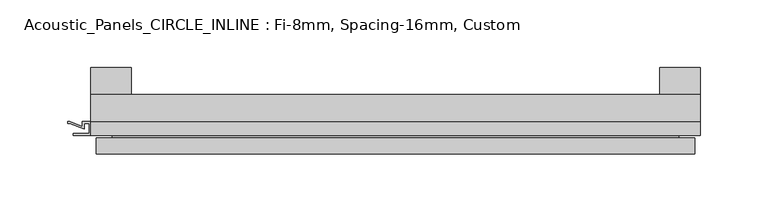
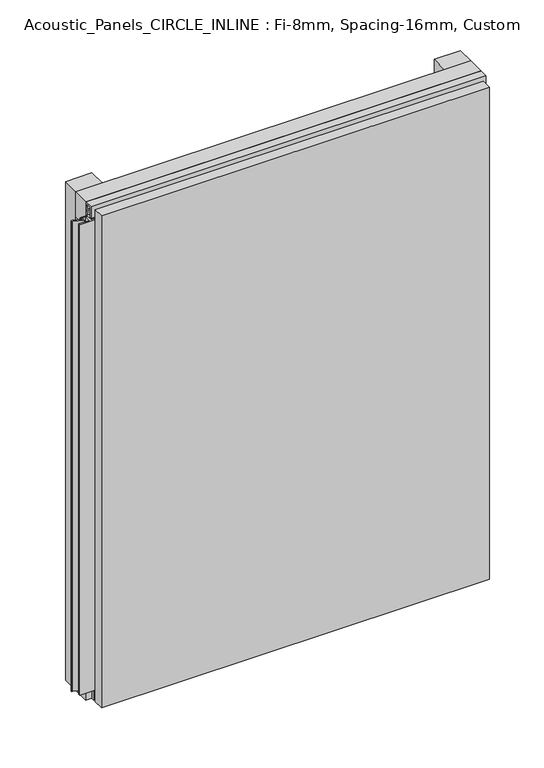
"""IFC4 building model written with IfcOpenShell, lengths in millimetres: plate geometry, Acoustic_Panels_CIRCLE_INLINE : Fi-8mm, Spacing-16mm, Custom."""

from ifc_helpers import new_model, si_unit, frame, origin, origin_with_axes, place, context, project, spatial, polyline, outline, extrude, faceted_brep, source, transform, mapped, element, save


def acoustic_panels_circle_inline_fi_8mm_spacing_16mm_custom_c719d983(model_context):
    return source(origin(), model_context, "Body", "SolidModel", [
        extrude(outline(polyline([(-225.0, -40.0), (-225.0, -20.0), (225.0, -20.0), (225.0, -40.0), (-225.0, -40.0)])), frame((0.0, 0.0, 570.0), z_axis=(0.0, 0.0, 1.0), x_axis=(1.0, 0.0, 0.0)), (0.0, 0.0, 1.0), 30.0),
        extrude(outline(polyline([(-225.0, -40.0), (-225.0, -20.0), (225.0, -20.0), (225.0, -40.0), (-225.0, -40.0)])), origin_with_axes(), (0.0, 0.0, 1.0), 30.0),
        extrude(outline(polyline([(195.0, 0.0), (225.0, 0.0), (225.0, -20.0), (195.0, -20.0), (195.0, 0.0)])), origin_with_axes(), (0.0, 0.0, 1.0), 600.0),
        extrude(outline(polyline([(-195.0, 0.0), (-195.0, -20.0), (-225.0, -20.0), (-225.0, 0.0), (-195.0, 0.0)])), origin_with_axes(), (0.0, 0.0, 1.0), 600.0),
        extrude(outline(polyline([(-40.0, 593.700916), (-43.5, 593.700916), (-40.0553267, 584.6441401), (-40.0553267, 577.008452), (-41.4553267, 577.008452), (-41.4553267, 584.4296606), (-45.5140545, 595.100916), (-41.4, 595.100916), (-41.4, 598.5843193), (-48.7, 598.5843193), (-48.7, 586.5843193), (-50.1, 586.5843193), (-50.1, 600.0), (-40.0, 600.0), (-40.0, 593.700916)])), frame((-225.0, 0.0, 0.0), z_axis=(1.0, 0.0, 0.0), x_axis=(0.0, 1.0, 0.0)), (0.0, 0.0, 1.0), 450.0),
        extrude(outline(polyline([(218.700916, -40.0), (225.0, -40.0), (225.0, -50.1), (211.5843193, -50.1), (211.5843193, -48.7), (223.5843193, -48.7), (223.5843193, -41.4), (220.100916, -41.4), (220.100916, -45.5140545), (209.4296606, -41.4553267), (202.008452, -41.4553267), (202.008452, -40.0553267), (209.6441401, -40.0553267), (218.700916, -43.5), (218.700916, -40.0)])), frame((0.0, 0.0, 16.9558599), z_axis=(0.0, 0.0, 1.0), x_axis=(1.0, 0.0, 0.0)), (0.0, 0.0, 1.0), 566.0882802),
        extrude(outline(polyline([(-225.899084, -48.7), (-225.899084, -41.4), (-229.899084, -41.4), (-229.899084, -45.5140545), (-240.5703394, -41.4553267), (-241.9558599, -41.4553267), (-241.9558599, -40.0553267), (-240.3558599, -40.0553267), (-231.299084, -43.5), (-231.299084, -40.0), (-218.700916, -40.0), (-218.700916, -43.5), (-209.6441401, -40.0553267), (-208.0441401, -40.0553267), (-208.0441401, -41.4553267), (-209.4296606, -41.4553267), (-220.100916, -45.5140545), (-220.100916, -41.4), (-224.100916, -41.4), (-224.100916, -48.7), (-212.100916, -48.7), (-212.100916, -50.1), (-237.899084, -50.1), (-237.899084, -48.7), (-225.899084, -48.7)])), frame((0.0, 0.0, 16.9558599), z_axis=(0.0, 0.0, 1.0), x_axis=(1.0, 0.0, 0.0)), (0.0, 0.0, 1.0), 566.0882802),
        faceted_brep([(221.0, -45.9, 596.0), (-221.0, -45.9, 596.0), (-221.0, -48.7, 596.0), (221.0, -48.7, 596.0), (-221.0, -63.9, 596.0), (221.0, -63.9, 596.0), (221.0, -51.9, 596.0), (-221.0, -51.9, 596.0), (-221.0, -45.9, 4.0), (221.0, -45.9, 4.0), (221.0, -48.7, 4.0), (-221.0, -48.7, 4.0), (221.0, -63.9, 4.0), (-221.0, -63.9, 4.0), (-221.0, -51.9, 4.0), (221.0, -51.9, 4.0), (209.0, -51.9, 584.0), (209.0, -51.9, 16.0), (209.0, -48.7, 16.0), (209.0, -48.7, 584.0), (-209.0, -51.9, 16.0), (-209.0, -48.7, 16.0), (-209.0, -51.9, 584.0), (-209.0, -48.7, 584.0)], [[[0, 1, 2, 3]], [[4, 5, 6, 7]], [[8, 9, 10, 11]], [[12, 13, 14, 15]], [[1, 0, 9, 8]], [[1, 8, 11, 2]], [[13, 4, 7, 14]], [[5, 4, 13, 12]], [[9, 0, 3, 10]], [[5, 12, 15, 6]], [[16, 17, 18, 19]], [[18, 17, 20, 21]], [[21, 20, 22, 23]], [[16, 19, 23, 22]], [[7, 6, 15, 14], [17, 16, 22, 20]], [[3, 2, 11, 10], [19, 18, 21, 23]]]),
    ])


if __name__ == "__main__":
    model = new_model("IFC4")
    model_context = context("Model", 3, world=origin())
    ifc_project = project(units=[si_unit("LENGTHUNIT", "METRE", prefix="MILLI")], contexts=[model_context])
    site = spatial("IfcSite", under=ifc_project)
    building = spatial("IfcBuilding", under=site)
    placement = place(None, origin())
    acoustic_panels_circle_inline_fi_8mm_spacing_16mm_custom_shape = acoustic_panels_circle_inline_fi_8mm_spacing_16mm_custom_c719d983(model_context)
    element("IfcPlate", 1, ObjectType="Acoustic_Panels_CIRCLE_INLINE : Fi-8mm, Spacing-16mm, Custom", at=placement, inside=building, context=model_context, shape_type="MappedRepresentation", body=[
        mapped(acoustic_panels_circle_inline_fi_8mm_spacing_16mm_custom_shape, transform((0.0, 0.0, 0.0), x_axis=(1.0, 0.0, 0.0), y_axis=(0.0, 1.0, 0.0), z_axis=(0.0, 0.0, 1.0))),
    ])
    save(model, "model.ifc")
